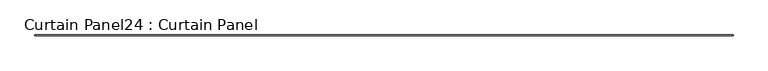
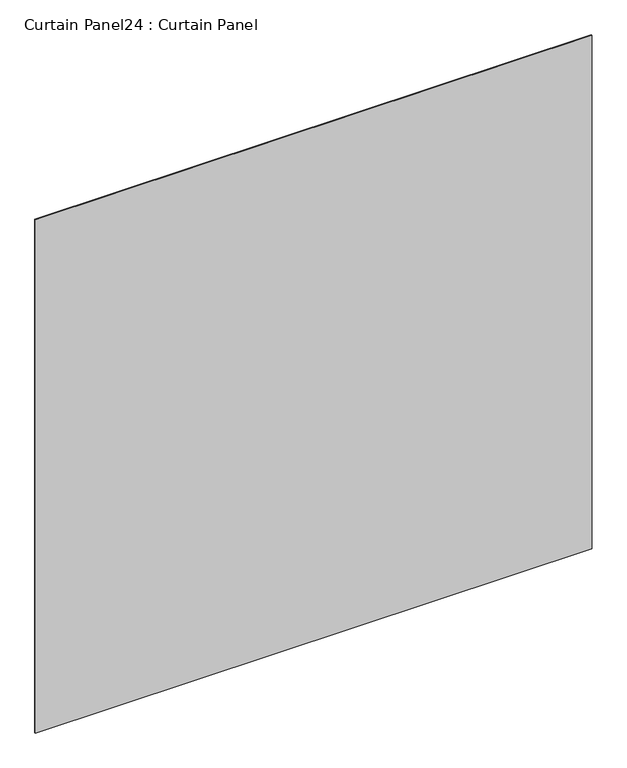
"""IFC4 building model written with IfcOpenShell, lengths in millimetres: plate geometry, Curtain Panel24 : Curtain Panel."""

from ifc_helpers import new_model, si_unit, frame, origin, place, context, project, spatial, polyline, outline, extrude, source, transform, mapped, element, save


def curtain_panel24_curtain_panel_3c7bc679(model_context):
    return source(origin(), model_context, "Body", "SweptSolid", [
        extrude(outline(polyline([(122449.5761004, 2937.317508), (116448.8261004, 2937.317508), (116448.8261004, 2943.667508), (122449.5761004, 2943.667508), (122449.5761004, 2937.317508)])), frame((0.0, 0.0, 1284.3123491), z_axis=(0.0, 0.0, 1.0), x_axis=(1.0, 0.0, 0.0)), (0.0, 0.0, 1.0), 5846.73583),
    ])


if __name__ == "__main__":
    model = new_model("IFC4")
    model_context = context("Model", 3, world=origin())
    ifc_project = project(units=[si_unit("LENGTHUNIT", "METRE", prefix="MILLI")], contexts=[model_context])
    site = spatial("IfcSite", under=ifc_project)
    building = spatial("IfcBuilding", under=site)
    placement = place(None, origin())
    curtain_panel24_curtain_panel_shape = curtain_panel24_curtain_panel_3c7bc679(model_context)
    element("IfcPlate", 1, ObjectType="Curtain Panel24 : Curtain Panel", at=placement, inside=building, context=model_context, shape_type="MappedRepresentation", body=[
        mapped(curtain_panel24_curtain_panel_shape, transform((0.0, 0.0, 0.0), x_axis=(1.0, 0.0, 0.0), y_axis=(0.0, 1.0, 0.0), z_axis=(0.0, 0.0, 1.0))),
    ])
    save(model, "model.ifc")
